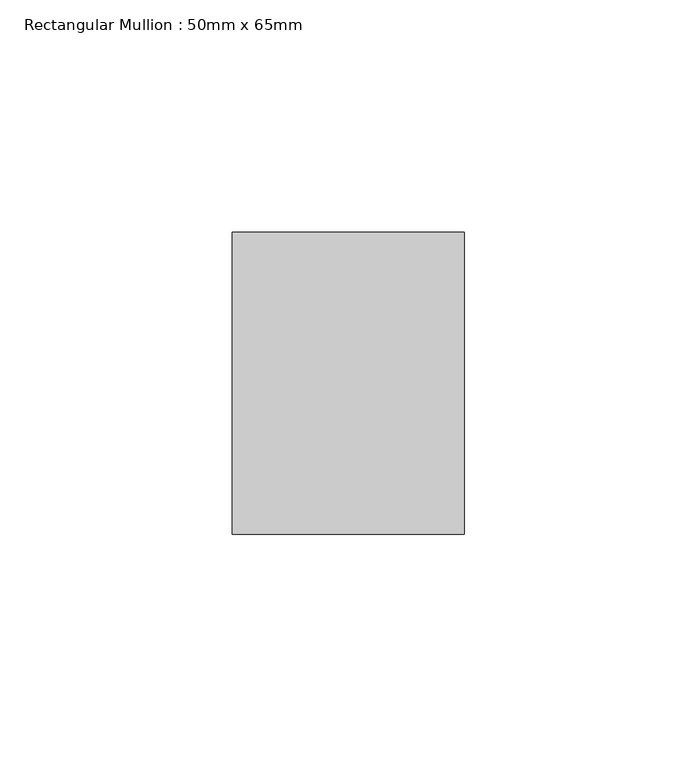
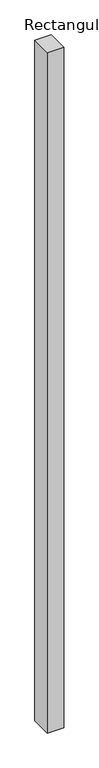
"""IFC4 building model written with IfcOpenShell, lengths in millimetres: member geometry, Rectangular Mullion : 50mm x 65mm."""

from ifc_helpers import new_model, si_unit, frame, origin, place, context, project, spatial, polyline, outline, extrude, source, transform, mapped, element, save


def rectangular_mullion_50mm_x_65mm_3a988540(model_context):
    return source(origin(), model_context, "Body", "SweptSolid", [
        extrude(outline(polyline([(25.0, 32.5), (25.0, -32.5), (-25.0, -32.5), (-25.0, 32.5), (25.0, 32.5)])), frame((0.0, 0.0, -2186.9739865), z_axis=(0.0, 0.0, 1.0), x_axis=(1.0, 0.0, 0.0)), (0.0, 0.0, 1.0), 2186.9739865),
    ])


if __name__ == "__main__":
    model = new_model("IFC4")
    model_context = context("Model", 3, world=origin())
    ifc_project = project(units=[si_unit("LENGTHUNIT", "METRE", prefix="MILLI")], contexts=[model_context])
    site = spatial("IfcSite", under=ifc_project)
    building = spatial("IfcBuilding", under=site)
    placement = place(None, origin())
    rectangular_mullion_50mm_x_65mm_shape = rectangular_mullion_50mm_x_65mm_3a988540(model_context)
    element("IfcMember", 1, ObjectType="Rectangular Mullion : 50mm x 65mm", at=placement, inside=building, context=model_context, shape_type="MappedRepresentation", body=[
        mapped(rectangular_mullion_50mm_x_65mm_shape, transform((0.0, 0.0, 0.0), x_axis=(1.0, 0.0, 0.0), y_axis=(0.0, 1.0, 0.0), z_axis=(0.0, 0.0, 1.0))),
    ])
    save(model, "model.ifc")
